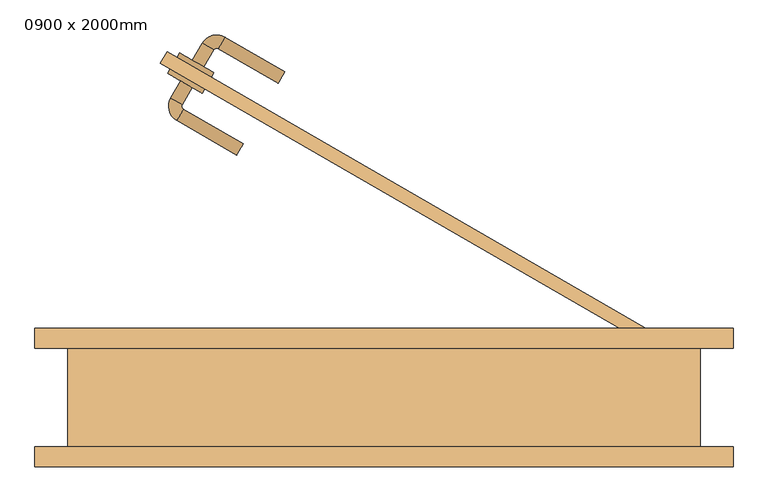
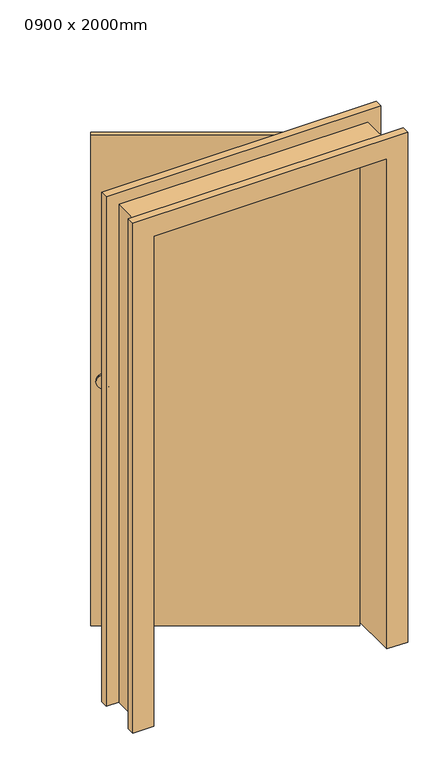
"""IFC4 building model written with IfcOpenShell, lengths in millimetres: door geometry, 0900 x 2000mm."""

from ifc_helpers import new_model, si_unit, point, frame, frame_2d, origin, place, context, project, spatial, circle_curve, ellipse_curve, trimmed, segment, composite_curve, outline, extrude, faceted_brep, source, transform, mapped, element, save
from ifc_brep_helpers import plane_surface, cylinder_surface, revolved_surface, advanced_brep


def door_0900_x_2000mm_4c935375(model_context):
    return source(origin(), model_context, "Body", "SolidModel", [
        advanced_brep(
        [(-308.7818473, 480.7512887, 1000.0), (-291.4613392, 470.7512887, 1000.0), (-306.4613392, 444.7705266, 1000.0), (-323.7818473, 454.7705266, 1000.0), (-304.6312122, 437.9403996, 1000.0), (-314.6312122, 420.6198915, 1000.0), (-223.6985448, 368.1198915, 1000.0), (-213.6985448, 385.4403996, 1000.0)],
        [
            (0, 1, circle_curve(frame((-300.1215932, 475.7512887, 1000.0), z_axis=(0.49999999999999356, 0.8660254037844424, 0.0), x_axis=(0.8660254037844414, -0.499999999999993, 0.0)), 10.0)),
            (1, 0, circle_curve(frame((-300.1215932, 475.7512887, 1000.0), z_axis=(0.49999999999999356, 0.8660254037844424, 0.0), x_axis=(0.8660254037844414, -0.499999999999993, 0.0)), 10.0)),
            (1, 2),
            (2, 3, circle_curve(frame((-315.1215932, 449.7705266, 1000.0), z_axis=(0.49999999999999356, 0.8660254037844424, 0.0), x_axis=(0.8660254037844414, -0.499999999999993, 0.0)), 10.0)),
            (3, 0),
            (3, 2, circle_curve(frame((-315.1215932, 449.7705266, 1000.0), z_axis=(0.49999999999999356, 0.8660254037844424, 0.0), x_axis=(0.8660254037844414, -0.499999999999993, 0.0)), 10.0)),
            (4, 5, circle_curve(frame((-309.6312122, 429.2801455, 1000.0), z_axis=(-0.8660254037844397, 0.499999999999996, 0.0), x_axis=(0.499999999999996, 0.8660254037844397, 0.0)), 10.0)),
            (5, 3, circle_curve(frame((-302.1312122, 442.2705266, 1000.0), z_axis=(0.0, 0.0, -1.0), x_axis=(-0.8660254037844414, 0.49999999999999306, 0.0)), 25.0)),
            (2, 4, circle_curve(frame((-302.1312122, 442.2705266, 1000.0), z_axis=(0.0, 0.0, 1.0), x_axis=(-0.8660254037844414, 0.49999999999999306, 0.0)), 5.0)),
            (5, 4, circle_curve(frame((-309.6312122, 429.2801455, 1000.0), z_axis=(-0.86602540378444, 0.49999999999999545, 0.0), x_axis=(0.49999999999999545, 0.86602540378444, 0.0)), 10.0)),
            (6, 7, circle_curve(frame((-218.6985448, 376.7801455, 1000.0), z_axis=(0.8660254037844424, -0.49999999999999356, 0.0), x_axis=(0.499999999999993, 0.8660254037844414, 0.0)), 10.0)),
            (7, 6, circle_curve(frame((-218.6985448, 376.7801455, 1000.0), z_axis=(0.8660254037844424, -0.49999999999999356, 0.0), x_axis=(0.499999999999993, 0.8660254037844414, 0.0)), 10.0)),
            (4, 7),
            (6, 5),
        ],
        [
            plane_surface(frame((-300.1215932, 475.7512887, 1000.0), z_axis=(0.49999999999999356, 0.8660254037844424, 0.0), x_axis=(0.0, 0.0, 1.0))),
            cylinder_surface(frame((-300.1215932, 475.7512887, 1000.0), z_axis=(0.499999999999993, 0.8660254037844414, 0.0), x_axis=(0.8660254037844414, -0.499999999999993, 0.0)), 10.0),
            revolved_surface(trimmed(ellipse_curve(frame((-315.1215932, 449.7705266, 1000.0), z_axis=(-0.49999999999999306, -0.8660254037844414, 0.0), x_axis=(0.8660254037844414, -0.49999999999999306, 0.0)), 10.0, 10.0), [point((-323.7818473, 454.7705266, 1000.0))], [point((-306.4613392, 444.7705266, 1000.0))], True, "CARTESIAN"), (-302.1312122, 442.2705266, 1000.0), (0.0, 0.0, -1.0)),
            revolved_surface(trimmed(ellipse_curve(frame((-315.1215932, 449.7705266, 1000.0), z_axis=(-0.49999999999999306, -0.8660254037844414, 0.0), x_axis=(0.8660254037844414, -0.49999999999999306, 0.0)), 10.0, 10.0), [point((-306.4613392, 444.7705266, 1000.0))], [point((-323.7818473, 454.7705266, 1000.0))], True, "CARTESIAN"), (-302.1312122, 442.2705266, 1000.0), (0.0, 0.0, -1.0)),
            plane_surface(frame((-218.6985448, 376.7801455, 1000.0), z_axis=(0.8660254037844424, -0.49999999999999356, 0.0), x_axis=(0.0, 0.0, 1.0))),
            cylinder_surface(frame((-309.6312122, 429.2801455, 1000.0), z_axis=(-0.8660254037844414, 0.499999999999993, 0.0), x_axis=(0.499999999999993, 0.8660254037844414, 0.0)), 10.0),
        ],
        [
            (0, [[1, 2]]),
            (1, [[3, 4, 5, -2]]),
            (1, [[-5, 6, -3, -1]]),
            (2, [[7, 8, -4, 9]]),
            (3, [[10, -9, -6, -8]]),
            (4, [[11, 12]]),
            (5, [[13, -11, 14, -7]]),
            (5, [[-14, -12, -13, -10]]),
        ],
    ),
        extrude(outline(composite_curve([segment(trimmed(circle_curve(frame_2d((0.0, 30.0)), 30.0), [point((0.0, 60.0))], [point((0.0, 0.0))], False, "CARTESIAN"), True, "CONTINUOUS"), segment(trimmed(circle_curve(frame_2d((0.0, 30.0)), 30.0), [point((0.0, 0.0))], [point((0.0, 60.0))], False, "CARTESIAN"), True, "CONTINUOUS")], self_intersect=False)), frame((-276.3058946, 462.0012887, 1000.0), z_axis=(0.49999999999999356, 0.8660254037844424, 0.0), x_axis=(0.0, 0.0, -1.0)), (0.0, 0.0, 1.0), 8.0),
        advanced_brep(
        [(-290.7818473, 511.9282032, 1000.0), (-273.4613392, 501.9282032, 1000.0), (-275.7818473, 537.9089653, 1000.0), (-258.4613392, 527.9089653, 1000.0), (-251.6312122, 529.7390924, 1000.0), (-241.6312122, 547.0596004, 1000.0), (-150.6985448, 494.5596004, 1000.0), (-160.6985448, 477.2390924, 1000.0)],
        [
            (0, 1, circle_curve(frame((-282.1215932, 506.9282032, 1000.0), z_axis=(-0.4999999999999942, -0.866025403784442, 0.0), x_axis=(0.8660254037844415, -0.4999999999999939, 0.0)), 10.0)),
            (1, 0, circle_curve(frame((-282.1215932, 506.9282032, 1000.0), z_axis=(-0.4999999999999942, -0.866025403784442, 0.0), x_axis=(0.8660254037844415, -0.4999999999999939, 0.0)), 10.0)),
            (0, 2),
            (2, 3, circle_curve(frame((-267.1215932, 532.9089653, 1000.0), z_axis=(-0.4999999999999942, -0.866025403784442, 0.0), x_axis=(0.8660254037844415, -0.4999999999999939, 0.0)), 10.0)),
            (3, 1),
            (3, 2, circle_curve(frame((-267.1215932, 532.9089653, 1000.0), z_axis=(-0.4999999999999942, -0.866025403784442, 0.0), x_axis=(0.8660254037844415, -0.4999999999999939, 0.0)), 10.0)),
            (4, 3, circle_curve(frame((-254.1312122, 525.4089653, 1000.0), z_axis=(0.0, 0.0, 1.0), x_axis=(-0.8660254037844415, 0.49999999999999384, 0.0)), 5.0)),
            (2, 5, circle_curve(frame((-254.1312122, 525.4089653, 1000.0), z_axis=(0.0, 0.0, -1.0), x_axis=(-0.8660254037844415, 0.49999999999999384, 0.0)), 25.0)),
            (5, 4, circle_curve(frame((-246.6312122, 538.3993464, 1000.0), z_axis=(-0.8660254037844427, 0.4999999999999917, 0.0), x_axis=(-0.4999999999999917, -0.8660254037844427, 0.0)), 10.0)),
            (4, 5, circle_curve(frame((-246.6312122, 538.3993464, 1000.0), z_axis=(-0.8660254037844446, 0.4999999999999884, 0.0), x_axis=(-0.4999999999999884, -0.8660254037844446, 0.0)), 10.0)),
            (6, 7, circle_curve(frame((-155.6985448, 485.8993464, 1000.0), z_axis=(0.866025403784442, -0.4999999999999942, 0.0), x_axis=(-0.4999999999999939, -0.8660254037844415, 0.0)), 10.0)),
            (7, 6, circle_curve(frame((-155.6985448, 485.8993464, 1000.0), z_axis=(0.866025403784442, -0.4999999999999942, 0.0), x_axis=(-0.4999999999999939, -0.8660254037844415, 0.0)), 10.0)),
            (5, 6),
            (7, 4),
        ],
        [
            plane_surface(frame((-282.1215932, 506.9282032, 1000.0), z_axis=(-0.4999999999999942, -0.866025403784442, 0.0), x_axis=(0.0, 0.0, 1.0))),
            cylinder_surface(frame((-282.1215932, 506.9282032, 1000.0), z_axis=(-0.4999999999999939, -0.8660254037844415, 0.0), x_axis=(0.8660254037844415, -0.4999999999999939, 0.0)), 10.0),
            revolved_surface(trimmed(ellipse_curve(frame((-267.1215932, 532.9089653, 1000.0), z_axis=(-0.49999999999999384, -0.8660254037844415, 0.0), x_axis=(0.8660254037844415, -0.49999999999999384, 0.0)), 10.0, 10.0), [point((-275.7818473, 537.9089653, 1000.0))], [point((-258.4613392, 527.9089653, 1000.0))], True, "CARTESIAN"), (-254.1312122, 525.4089653, 1000.0), (0.0, 0.0, -1.0)),
            revolved_surface(trimmed(ellipse_curve(frame((-267.1215932, 532.9089653, 1000.0), z_axis=(-0.49999999999999384, -0.8660254037844415, 0.0), x_axis=(0.8660254037844415, -0.49999999999999384, 0.0)), 10.0, 10.0), [point((-258.4613392, 527.9089653, 1000.0))], [point((-275.7818473, 537.9089653, 1000.0))], True, "CARTESIAN"), (-254.1312122, 525.4089653, 1000.0), (0.0, 0.0, -1.0)),
            plane_surface(frame((-155.6985448, 485.8993464, 1000.0), z_axis=(0.866025403784442, -0.4999999999999942, 0.0), x_axis=(0.0, 0.0, 1.0))),
            cylinder_surface(frame((-246.6312122, 538.3993464, 1000.0), z_axis=(-0.8660254037844415, 0.4999999999999939, 0.0), x_axis=(-0.4999999999999939, -0.8660254037844415, 0.0)), 10.0),
        ],
        [
            (0, [[1, 2]]),
            (1, [[-1, 3, 4, 5]]),
            (1, [[-2, -5, 6, -3]]),
            (2, [[7, -4, 8, 9]]),
            (3, [[-8, -6, -7, 10]]),
            (4, [[11, 12]]),
            (5, [[-9, 13, -12, 14]]),
            (5, [[-10, -14, -11, -13]]),
        ],
    ),
        extrude(outline(composite_curve([segment(trimmed(circle_curve(frame_2d((0.0, -30.0)), 30.0), [point((0.0, -60.0))], [point((0.0, 0.0))], False, "CARTESIAN"), True, "CONTINUOUS"), segment(trimmed(circle_curve(frame_2d((0.0, -30.0)), 30.0), [point((0.0, 0.0))], [point((0.0, -60.0))], False, "CARTESIAN"), True, "CONTINUOUS")], self_intersect=False)), frame((-262.3058946, 486.25, 1000.0), z_axis=(0.4999999999999942, 0.866025403784442, 0.0), x_axis=(0.0, 0.0, 1.0)), (0.0, 0.0, 1.0), 8.0),
        faceted_brep([(-480.0, 75.0, 0.0), (-530.0, 75.0, 0.0), (-530.0, 105.0, 0.0), (-450.0, 105.0, 0.0), (-450.0, -105.0, 0.0), (-530.0, -105.0, 0.0), (-530.0, -75.0, 0.0), (-480.0, -75.0, 0.0), (-480.0, 75.0, 2030.0), (480.0, 75.0, 2030.0), (480.0, 75.0, 0.0), (530.0, 75.0, 0.0), (530.0, 75.0, 2080.0), (-530.0, 75.0, 2080.0), (-530.0, 105.0, 2080.0), (530.0, 105.0, 2080.0), (530.0, 105.0, 0.0), (450.0, 105.0, 0.0), (450.0, 105.0, 2000.0), (-450.0, 105.0, 2000.0), (-450.0, -105.0, 2000.0), (450.0, -105.0, 2000.0), (450.0, -105.0, 0.0), (530.0, -105.0, 0.0), (530.0, -105.0, 2080.0), (-530.0, -105.0, 2080.0), (-530.0, -75.0, 2080.0), (530.0, -75.0, 2080.0), (530.0, -75.0, 0.0), (480.0, -75.0, 0.0), (480.0, -75.0, 2030.0), (-480.0, -75.0, 2030.0)], [[[0, 1, 2, 3, 4, 5, 6, 7]], [[1, 0, 8, 9, 10, 11, 12, 13]], [[2, 1, 13, 14]], [[3, 2, 14, 15, 16, 17, 18, 19]], [[4, 3, 19, 20]], [[5, 4, 20, 21, 22, 23, 24, 25]], [[6, 5, 25, 26]], [[7, 6, 26, 27, 28, 29, 30, 31]], [[0, 7, 31, 8]], [[9, 30, 29, 10]], [[10, 29, 28, 23, 22, 17, 16, 11]], [[15, 12, 11, 16]], [[21, 18, 17, 22]], [[27, 24, 23, 28]], [[14, 13, 12, 15]], [[20, 19, 18, 21]], [[26, 25, 24, 27]], [[8, 31, 30, 9]]]),
        faceted_brep([(-329.4228634, 525.0, 0.0), (450.0, 75.0, 0.0), (440.0, 57.6794919, 0.0), (-339.4228634, 507.6794919, 0.0), (-329.4228634, 525.0, 2000.0), (450.0, 75.0, 2000.0), (440.0, 57.6794919, 2000.0), (410.0, 75.0, 2000.0), (-339.4228634, 507.6794919, 2000.0)], [[[0, 1, 2, 3]], [[4, 5, 1, 0]], [[5, 6, 2, 1]], [[3, 2, 6, 7, 8]], [[8, 4, 0, 3]], [[4, 8, 7, 6, 5]]]),
    ])


if __name__ == "__main__":
    model = new_model("IFC4")
    model_context = context("Model", 3, world=origin())
    ifc_project = project(units=[si_unit("LENGTHUNIT", "METRE", prefix="MILLI")], contexts=[model_context])
    site = spatial("IfcSite", under=ifc_project)
    building = spatial("IfcBuilding", under=site)
    placement = place(None, origin())
    door_0900_x_2000mm_shape = door_0900_x_2000mm_4c935375(model_context)
    element("IfcDoor", 1, ObjectType="0900 x 2000mm", at=placement, inside=building, context=model_context, shape_type="MappedRepresentation", body=[
        mapped(door_0900_x_2000mm_shape, transform((0.0, 0.0, 0.0), x_axis=(1.0, 0.0, 0.0), y_axis=(0.0, 1.0, 0.0), z_axis=(0.0, 0.0, 1.0))),
    ])
    save(model, "model.ifc")
